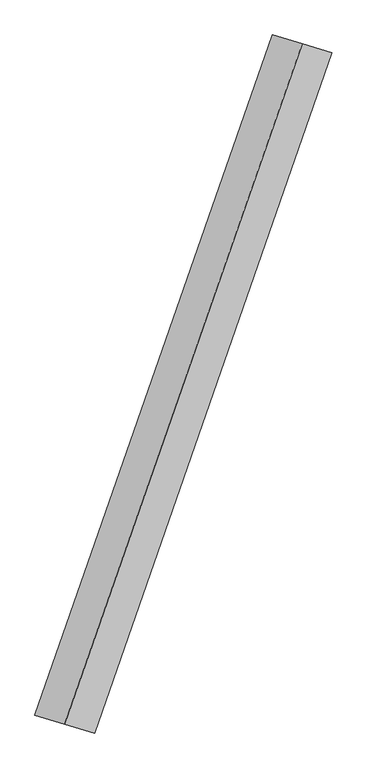
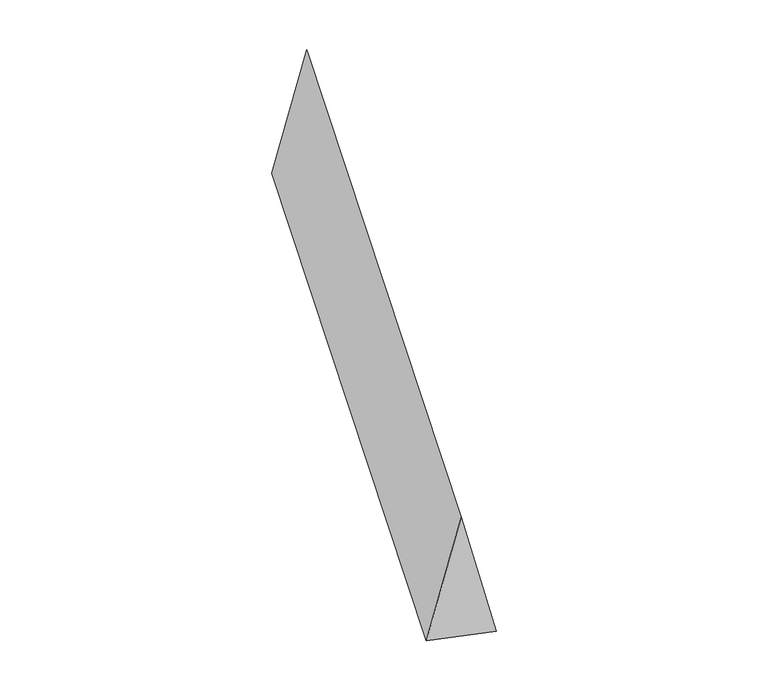
"""IFC4 building model written with IfcOpenShell, lengths in millimetres: proxy geometry."""

from ifc_helpers import new_model, si_unit, origin, place, context, project, spatial, faceted_brep, source, transform, mapped, element, save


def generic_models_0f322d17(model_context):
    return source(origin(), model_context, "Body", "Brep", [
        faceted_brep([(-660.6590566, -1890.2903836, 700.0), (-495.0019967, -1939.2030531, 0.0), (826.3161166, 1841.3777141, 0.0), (660.6590566, 1890.2903836, 700.0), (-826.3161166, -1841.3777141, 0.0), (495.0019967, 1939.2030531, 0.0)], [[[0, 1, 2, 3]], [[1, 4, 5, 2]], [[4, 0, 3, 5]], [[3, 2, 5]], [[0, 4, 1]]]),
    ])


if __name__ == "__main__":
    model = new_model("IFC4")
    model_context = context("Model", 3, world=origin())
    ifc_project = project(units=[si_unit("LENGTHUNIT", "METRE", prefix="MILLI")], contexts=[model_context])
    site = spatial("IfcSite", under=ifc_project)
    building = spatial("IfcBuilding", under=site)
    placement = place(None, origin())
    generic_models_shape = generic_models_0f322d17(model_context)
    element("IfcBuildingElementProxy", 1, Name="Generic Models", at=placement, inside=building, context=model_context, shape_type="MappedRepresentation", body=[
        mapped(generic_models_shape, transform((0.0, 0.0, 0.0), x_axis=(1.0, 0.0, 0.0), y_axis=(0.0, 1.0, 0.0), z_axis=(0.0, 0.0, 1.0))),
    ])
    save(model, "model.ifc")
